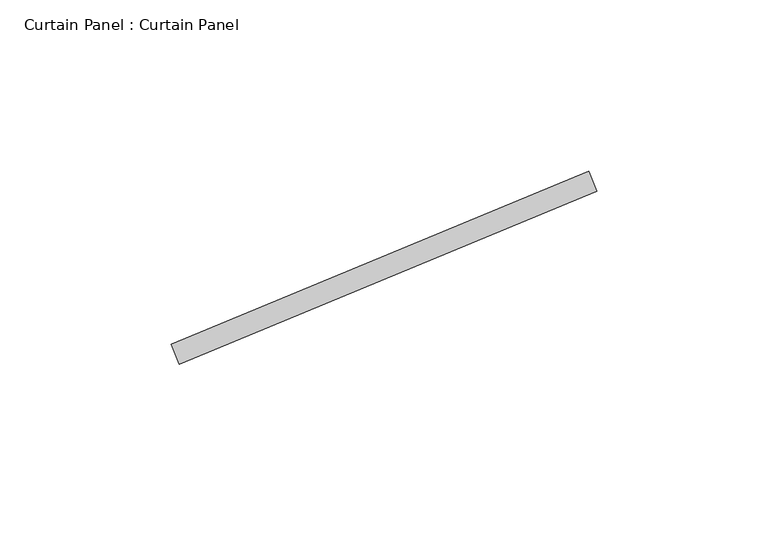
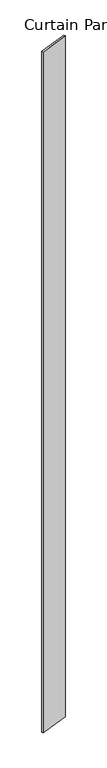
"""IFC4 building model written with IfcOpenShell, lengths in millimetres: plate geometry, Curtain Panel : Curtain Panel."""

from ifc_helpers import new_model, si_unit, frame, origin, place, context, project, spatial, polyline, outline, extrude, source, transform, mapped, element, save


def curtain_panel_curtain_panel_e01764f3(model_context):
    return source(origin(), model_context, "Body", "SweptSolid", [
        extrude(outline(polyline([(593848.1797293, 2961.5255737), (593726.0998983, 2910.958452), (593723.6698585, 2916.8250871), (593845.7496895, 2967.3922088), (593848.1797293, 2961.5255737)])), frame((0.0, 0.0, 4959.7989371), z_axis=(0.0, 0.0, 1.0), x_axis=(1.0, 0.0, 0.0)), (0.0, 0.0, 1.0), 3048.0),
    ])


if __name__ == "__main__":
    model = new_model("IFC4")
    model_context = context("Model", 3, world=origin())
    ifc_project = project(units=[si_unit("LENGTHUNIT", "METRE", prefix="MILLI")], contexts=[model_context])
    site = spatial("IfcSite", under=ifc_project)
    building = spatial("IfcBuilding", under=site)
    placement = place(None, origin())
    curtain_panel_curtain_panel_shape = curtain_panel_curtain_panel_e01764f3(model_context)
    element("IfcPlate", 1, ObjectType="Curtain Panel : Curtain Panel", at=placement, inside=building, context=model_context, shape_type="MappedRepresentation", body=[
        mapped(curtain_panel_curtain_panel_shape, transform((0.0, 0.0, 0.0), x_axis=(1.0, 0.0, 0.0), y_axis=(0.0, 1.0, 0.0), z_axis=(0.0, 0.0, 1.0))),
    ])
    save(model, "model.ifc")
